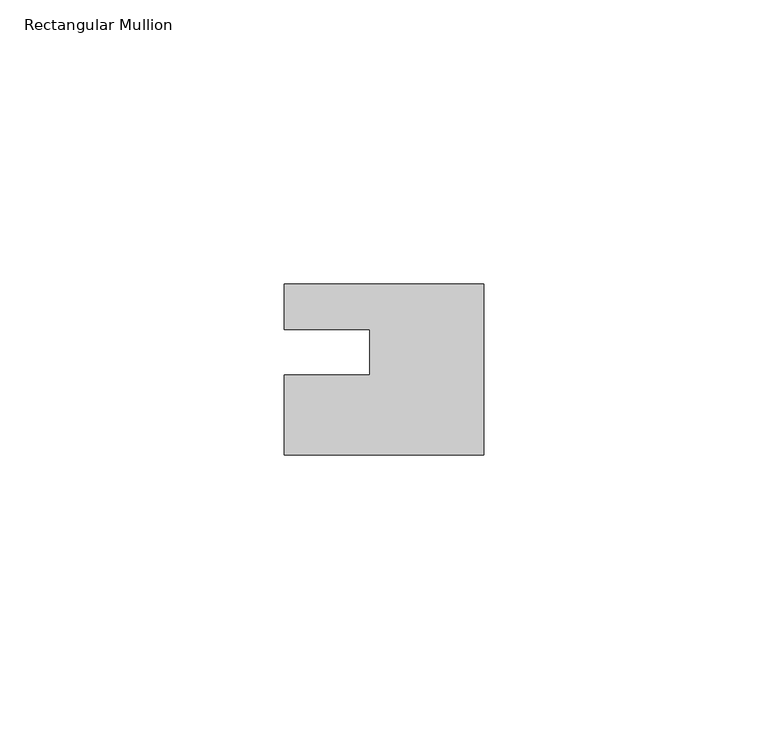
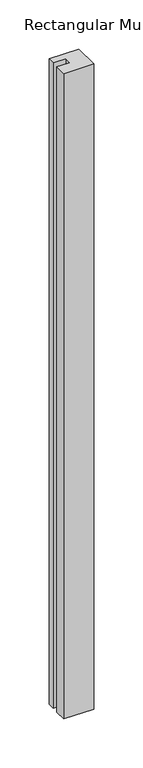
"""IFC4 building model written with IfcOpenShell, lengths in millimetres: member geometry, Rectangular Mullion."""

from ifc_helpers import new_model, si_unit, frame, origin, place, context, project, spatial, polyline, outline, extrude, source, transform, mapped, element, save


def rectangular_mullion_60a648f5(model_context):
    return source(origin(), model_context, "Body", "SweptSolid", [
        extrude(outline(polyline([(0.0, 7.94), (0.0, -22.06), (-35.0, -22.06), (-35.0, -8.0), (-20.0, -8.0), (-20.0, 0.001), (-35.0, 0.001), (-35.0, 7.94), (0.0, 7.94)])), frame((0.0, 0.0, -802.0), z_axis=(0.0, 0.0, 1.0), x_axis=(1.0, 0.0, 0.0)), (0.0, 0.0, 1.0), 802.0),
    ])


if __name__ == "__main__":
    model = new_model("IFC4")
    model_context = context("Model", 3, world=origin())
    ifc_project = project(units=[si_unit("LENGTHUNIT", "METRE", prefix="MILLI")], contexts=[model_context])
    site = spatial("IfcSite", under=ifc_project)
    building = spatial("IfcBuilding", under=site)
    placement = place(None, origin())
    rectangular_mullion_shape = rectangular_mullion_60a648f5(model_context)
    element("IfcMember", 1, ObjectType="Rectangular Mullion", at=placement, inside=building, context=model_context, shape_type="MappedRepresentation", body=[
        mapped(rectangular_mullion_shape, transform((0.0, 0.0, 0.0), x_axis=(1.0, 0.0, 0.0), y_axis=(0.0, 1.0, 0.0), z_axis=(0.0, 0.0, 1.0))),
    ])
    save(model, "model.ifc")
